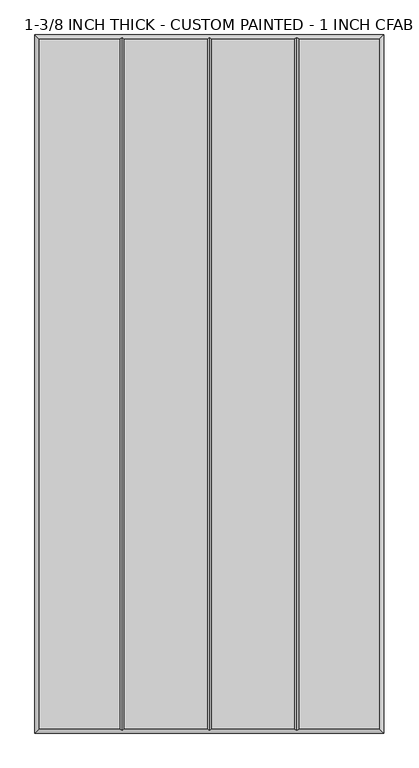
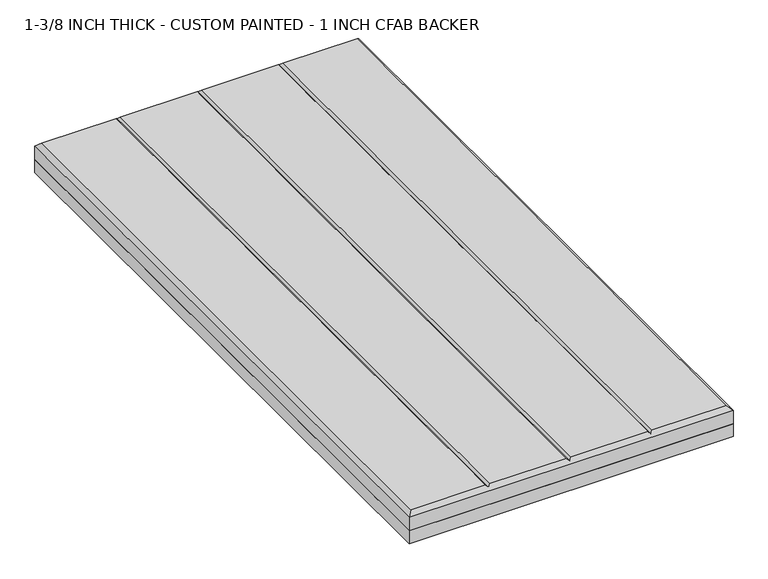
"""IFC4 building model written with IfcOpenShell, lengths in millimetres: proxy geometry, 1-3/8 INCH THICK - CUSTOM PAINTED - 1 INCH CFAB BACKER."""

from ifc_helpers import new_model, si_unit, frame, origin, place, context, project, spatial, polyline, outline, extrude, faceted_brep, source, transform, mapped, element, save


def proxy_1_3_8_inch_thick_custom_painted_1_inch_cfab_backer_f7068a11(model_context):
    return source(origin(), model_context, "Body", "SolidModel", [
        extrude(outline(polyline([(-304.8, 609.6), (304.8, 609.6), (304.8, -609.6), (-304.8, -609.6), (-304.8, 609.6)])), frame((0.0, 0.0, -25.4), z_axis=(0.0, 0.0, 1.0), x_axis=(1.0, 0.0, 0.0)), (0.0, 0.0, 1.0), 25.4),
        faceted_brep([(-296.799, 601.599, 34.925), (-296.799, -601.599, 34.925), (-156.4009826, -601.599, 34.925), (-156.4009826, 601.599, 34.925), (296.799, -601.599, 34.925), (296.799, 601.599, 34.925), (156.4010334, 601.599, 34.925), (156.4010334, -601.599, 34.925), (-148.3999826, 601.599, 34.925), (-148.3999826, -601.599, 34.925), (-4.0004746, -601.599, 34.925), (-4.0004746, 601.599, 34.925), (4.0005254, 601.599, 34.925), (4.0005254, -601.599, 34.925), (148.4000334, -601.599, 34.925), (148.4000334, 601.599, 34.925), (-304.8, 609.6, 0.0), (304.8, 609.6, 0.0), (304.8, -609.6, 0.0), (-304.8, -609.6, 0.0), (-304.8, -609.6, 26.924), (-304.8, 609.6, 26.924), (304.8, -609.6, 26.924), (304.8, 609.6, 26.924), (-152.4004826, 605.5995, 30.9245), (2.54e-05, 605.5995, 30.9245), (152.4005334, 605.5995, 30.9245), (152.4005334, -605.5995, 30.9245), (2.54e-05, -605.5995, 30.9245), (-152.4004826, -605.5995, 30.9245)], [[[0, 1, 2, 3]], [[4, 5, 6, 7]], [[8, 9, 10, 11]], [[12, 13, 14, 15]], [[16, 17, 18, 19]], [[16, 19, 20, 21]], [[19, 18, 22, 20]], [[18, 17, 23, 22]], [[17, 16, 21, 23]], [[21, 0, 3, 24, 8, 11, 25, 12, 15, 26, 6, 5, 23]], [[0, 21, 20, 1]], [[1, 20, 22, 4, 7, 27, 14, 13, 28, 10, 9, 29, 2]], [[23, 5, 4, 22]], [[24, 29, 9, 8]], [[29, 24, 3, 2]], [[25, 28, 13, 12]], [[28, 25, 11, 10]], [[26, 27, 7, 6]], [[27, 26, 15, 14]]]),
    ])


if __name__ == "__main__":
    model = new_model("IFC4")
    model_context = context("Model", 3, world=origin())
    ifc_project = project(units=[si_unit("LENGTHUNIT", "METRE", prefix="MILLI")], contexts=[model_context])
    site = spatial("IfcSite", under=ifc_project)
    building = spatial("IfcBuilding", under=site)
    placement = place(None, origin())
    proxy_1_3_8_inch_thick_custom_painted_1_inch_cfab_backer_shape = proxy_1_3_8_inch_thick_custom_painted_1_inch_cfab_backer_f7068a11(model_context)
    element("IfcBuildingElementProxy", 1, Name="1-3/8 INCH THICK - CUSTOM PAINTED - 1 INCH CFAB BACKER", ObjectType="1-3/8 INCH THICK - CUSTOM PAINTED - 1 INCH CFAB BACKER", at=placement, inside=building, context=model_context, shape_type="MappedRepresentation", body=[
        mapped(proxy_1_3_8_inch_thick_custom_painted_1_inch_cfab_backer_shape, transform((0.0, 0.0, 0.0), x_axis=(1.0, 0.0, 0.0), y_axis=(0.0, 1.0, 0.0), z_axis=(0.0, 0.0, 1.0))),
    ])
    save(model, "model.ifc")
